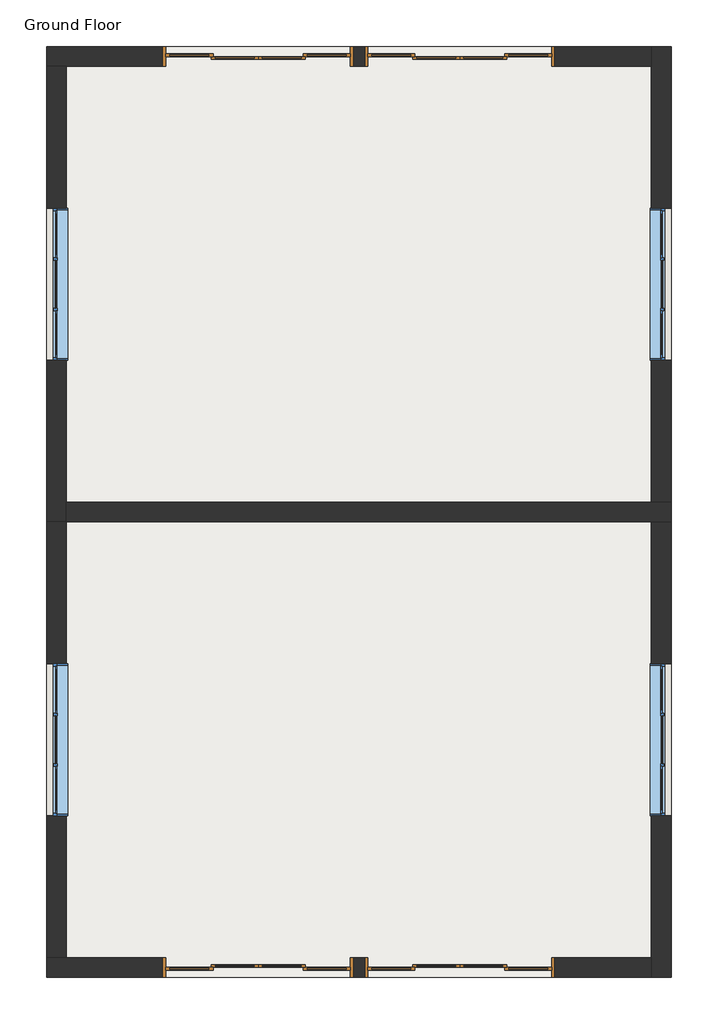
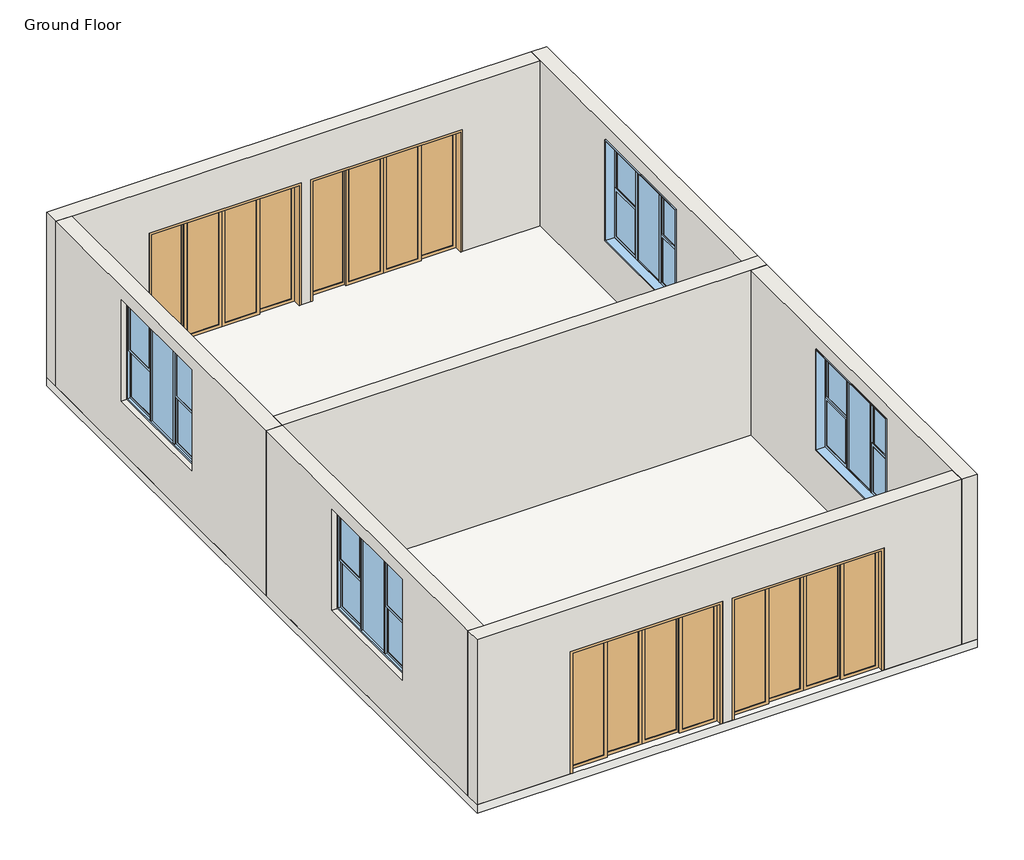
# One storey: 7 walls, 4 doors, 4 windows, 1 slab.
"""IFC4 building model written with IfcOpenShell, lengths in millimetres."""

import ifcopenshell
import ifcopenshell.guid

model = None  # the IFC model being written
_history = None  # IfcOwnerHistory: only IFC2X3 demands one
_inside = {}  # id of a spatial element -> (the spatial element, [elements in it])
_under = {}  # id of a project, library or spatial element -> (it, [spatial elements below it])
_declared = {}  # id of a project -> (the project, [libraries it declares])
_typed = {}  # id of a type object -> (the type object, [elements of that type])
_made_of = {}  # id of a material, layer set ... -> (it, [elements and type objects made of it])


def new_model(schema):
    """Start an empty IFC model of exactly this schema.

    Asked for "IFC4X3", IfcOpenShell would pick the latest addendum, in which some entities
    have other attributes; the version numbers below select the first issue.
    IFC2X3 requires an IfcOwnerHistory on every rooted entity: one is made here for all.
    """
    global model, _history
    if schema == "IFC4X3":
        model = ifcopenshell.file(schema_version=(4, 3, 0, 0))
    else:
        model = ifcopenshell.file(schema=schema)
    _inside.clear()
    _under.clear()
    _declared.clear()
    _typed.clear()
    _made_of.clear()
    _history = None
    if model.schema == "IFC2X3":
        org = make("IfcOrganization", Name="unknown")
        user = make(
            "IfcPersonAndOrganization",
            ThePerson=make("IfcPerson", FamilyName="unknown"),
            TheOrganization=org,
        )
        app = make(
            "IfcApplication",
            ApplicationDeveloper=org,
            Version="unknown",
            ApplicationFullName="unknown",
            ApplicationIdentifier="unknown",
        )
        _history = make(
            "IfcOwnerHistory",
            OwningUser=user,
            OwningApplication=app,
            ChangeAction="ADDED",
            CreationDate=0,
        )
    return model


def make(cls, **values):
    """One entity of the class cls with the attributes given. An attribute that is None is left unset."""
    return model.create_entity(
        cls, **{name: value for name, value in values.items() if value is not None}
    )


def rooted(cls, **values):
    """An entity with a GlobalId (a new one), such as an element, a storey or a relation."""
    return make(cls, GlobalId=ifcopenshell.guid.new(), OwnerHistory=_history, **values)


def si_unit(unit_type, name, prefix=None):
    """IfcSIUnit, for example si_unit("LENGTHUNIT", "METRE", prefix="MILLI")."""
    return make("IfcSIUnit", UnitType=unit_type, Prefix=prefix, Name=name)


def assignment(units):
    """IfcUnitAssignment: the units of a project."""
    return None if units is None else make("IfcUnitAssignment", Units=units)


def point(xyz):
    """IfcCartesianPoint."""
    return None if xyz is None else make("IfcCartesianPoint", Coordinates=xyz)


def direction(xyz):
    """IfcDirection."""
    return None if xyz is None else make("IfcDirection", DirectionRatios=xyz)


def frame(location, z_axis=None, x_axis=None):
    """IfcAxis2Placement3D, a coordinate frame: its origin and axes. An axis left out is left unset."""
    return make(
        "IfcAxis2Placement3D",
        Location=point(location),
        Axis=direction(z_axis),
        RefDirection=direction(x_axis),
    )


def origin():
    """The frame at (0, 0, 0) with its axes left unset."""
    return frame((0.0, 0.0, 0.0))


def place(relative_to, where):
    """IfcLocalPlacement: puts the frame where relative to a parent placement (None: the world)."""
    return make(
        "IfcLocalPlacement", PlacementRelTo=relative_to, RelativePlacement=where
    )


def context(
    kind, dimensions, precision=None, world=None, true_north=None, identifier=None
):
    """IfcGeometricRepresentationContext, for example the 3D "Model" context."""
    return make(
        "IfcGeometricRepresentationContext",
        ContextIdentifier=identifier,
        ContextType=kind,
        CoordinateSpaceDimension=dimensions,
        Precision=precision,
        WorldCoordinateSystem=world,
        TrueNorth=true_north,
    )


def project(units=None, contexts=None):
    """IfcProject with its units and contexts."""
    return rooted(
        "IfcProject",
        Name="project",
        RepresentationContexts=contexts,
        UnitsInContext=assignment(units),
    )


def spatial(cls, under=None, at=None, **own):
    """A site, building, storey or space (cls), placed at a placement, below another one or the project."""
    s = rooted(cls, ObjectPlacement=at, **own)
    if under is not None:
        _under.setdefault(under.id(), (under, []))[1].append(s)
    return s


def polyline(points):
    """IfcPolyline through the points."""
    return make("IfcPolyline", Points=[point(p) for p in points])


def outline(outer, holes=None, kind="AREA"):
    """IfcArbitraryClosedProfileDef: a profile drawn as a closed curve; with holes, ...WithVoids."""
    if holes is None:
        return make("IfcArbitraryClosedProfileDef", ProfileType=kind, OuterCurve=outer)
    return make(
        "IfcArbitraryProfileDefWithVoids",
        ProfileType=kind,
        OuterCurve=outer,
        InnerCurves=holes,
    )


def extrude(swept, where, along, depth):
    """IfcExtrudedAreaSolid: the profile swept, set in the frame where, extruded along a direction by depth."""
    return make(
        "IfcExtrudedAreaSolid",
        SweptArea=swept,
        Position=where,
        ExtrudedDirection=direction(along),
        Depth=depth,
    )


def faces_of(points, faces, orient=None, outer=None):
    """IfcFace entities. A face is a list of loops; a loop is a list of indices into points, from 0.

    orient and outer hold one flag for each loop. By default every Orientation is true, the
    first loop of a face is its IfcFaceOuterBound and the others are IfcFaceBound.
    """
    made = []
    for i, loops in enumerate(faces):
        bounds = []
        for j, loop in enumerate(loops):
            is_outer = j == 0 if outer is None else outer[i][j]
            bounds.append(
                make(
                    "IfcFaceOuterBound" if is_outer else "IfcFaceBound",
                    Bound=make("IfcPolyLoop", Polygon=[points[k] for k in loop]),
                    Orientation=True if orient is None else orient[i][j],
                )
            )
        made.append(make("IfcFace", Bounds=bounds))
    return made


def faceted_brep(points, faces, orient=None, outer=None, voids=None):
    """IfcFacetedBrep: a solid bounded by flat faces; with voids (closed shells), ...WithVoids."""
    shared = [point(p) for p in points]
    hull = make("IfcClosedShell", CfsFaces=faces_of(shared, faces, orient, outer))
    if voids is None:
        return make("IfcFacetedBrep", Outer=hull)
    return make(
        "IfcFacetedBrepWithVoids",
        Outer=hull,
        Voids=[
            make(cls, CfsFaces=faces_of(shared, fs, o, b)) for cls, fs, o, b in voids
        ],
    )


def shape(context_of_items, identifier, shape_type, items):
    """IfcShapeRepresentation: the items that make up one representation, for example the "Body"."""
    return make(
        "IfcShapeRepresentation",
        ContextOfItems=context_of_items,
        RepresentationIdentifier=identifier,
        RepresentationType=shape_type,
        Items=items,
    )


def source(mapping_origin, context_of_items, identifier, shape_type, items):
    """IfcRepresentationMap: a shape defined once, which mapped items show again and again."""
    return make(
        "IfcRepresentationMap",
        MappingOrigin=mapping_origin,
        MappedRepresentation=shape(context_of_items, identifier, shape_type, items),
    )


def transform(
    local_origin,
    x_axis=None,
    y_axis=None,
    z_axis=None,
    scale=None,
    scale2=None,
    scale3=None,
    uniform=True,
):
    """IfcCartesianTransformationOperator3D, or its non-uniform kind. x_axis, y_axis, z_axis: its Axis1, 2, 3."""
    if uniform:
        return make(
            "IfcCartesianTransformationOperator3D",
            Axis1=direction(x_axis),
            Axis2=direction(y_axis),
            LocalOrigin=point(local_origin),
            Scale=scale,
            Axis3=direction(z_axis),
        )
    return make(
        "IfcCartesianTransformationOperator3DnonUniform",
        Axis1=direction(x_axis),
        Axis2=direction(y_axis),
        LocalOrigin=point(local_origin),
        Scale=scale,
        Axis3=direction(z_axis),
        Scale2=scale2,
        Scale3=scale3,
    )


def mapped(mapping_source, mapping_target):
    """IfcMappedItem: shows the shape of a source again, moved by a transform."""
    return make(
        "IfcMappedItem", MappingSource=mapping_source, MappingTarget=mapping_target
    )


def made_of(thing, what):
    """Note that an element or type object is made of a material, layer set ...; save() writes the relation."""
    if what is not None:
        _made_of.setdefault(what.id(), (what, []))[1].append(thing)
    return thing


def element(
    cls,
    number,
    at=None,
    inside=None,
    cuts=None,
    type_object=None,
    material=None,
    context=None,
    identifier="Body",
    shape_type=None,
    held_by="IfcProductDefinitionShape",
    body=None,
    shapes=None,
    **own,
):
    """One element of the class cls, such as IfcWall. Its Tag is "e" and its number.

    at: its placement. inside: the storey or other place that contains it. cuts: it is an
    opening in that element (IfcRelVoidsElement). A single representation is given by context,
    identifier, shape_type and body (its items); several are given by shapes. held_by: the class
    of the entity that holds the representations. save() writes the other relations.
    """
    e = rooted(cls, Tag="e%d" % number, ObjectPlacement=at, **own)
    if body is not None:
        shapes = [shape(context, identifier, shape_type, body)]
    if shapes is not None:
        e.Representation = make(held_by, Representations=shapes)
    if inside is not None:
        _inside.setdefault(inside.id(), (inside, []))[1].append(e)
    if cuts is not None:
        rooted(
            "IfcRelVoidsElement", RelatingBuildingElement=cuts, RelatedOpeningElement=e
        )
    if type_object is not None:
        _typed.setdefault(type_object.id(), (type_object, []))[1].append(e)
    return made_of(e, material)


def aggregate(whole, parts):
    """IfcRelAggregates: a whole, such as a stair, and the parts it consists of."""
    return rooted("IfcRelAggregates", RelatingObject=whole, RelatedObjects=parts)


def save(model, path):
    """Write the relations noted so far, then the file.

    IfcRelAggregates (storeys below a building ...), IfcRelContainedInSpatialStructure (elements
    in a storey), IfcRelDefinesByType, IfcRelAssociatesMaterial and IfcRelDeclares: one each for
    every whole, place, type object, material and project.
    """
    for whole, parts in _under.values():
        aggregate(whole, parts)
    for where, things in _inside.values():
        rooted(
            "IfcRelContainedInSpatialStructure",
            RelatedElements=things,
            RelatingStructure=where,
        )
    for kind, things in _typed.values():
        rooted("IfcRelDefinesByType", RelatedObjects=things, RelatingType=kind)
    for what, things in _made_of.values():
        rooted("IfcRelAssociatesMaterial", RelatedObjects=things, RelatingMaterial=what)
    for by, libraries in _declared.values():
        rooted("IfcRelDeclares", RelatingContext=by, RelatedDefinitions=libraries)
    model.write(path)


def sliding_door_4_panel_aus_type_1_4f9d3724(model_context):
    return source(origin(), model_context, "Body", "SweptSolid", [
        extrude(outline(polyline([(1280.7580012, -13.3333333), (1280.7580012, -26.6666667), (752.0080012, -26.6666667), (752.0080012, -13.3333333), (1280.7580012, -13.3333333)])), frame((0.0, 0.0, 55.0), z_axis=(0.0, 0.0, 1.0), x_axis=(1.0, 0.0, 0.0)), (0.0, 0.0, 1.0), 2033.0),
        extrude(outline(polyline([(0.0, 1335.7580012), (2143.0, 1335.7580012), (2143.0, 697.0080012), (0.0, 697.0080012), (0.0, 1335.7580012)]), holes=[polyline([(55.0, 1280.7580012), (55.0, 752.0080012), (2088.0, 752.0080012), (2088.0, 1280.7580012), (55.0, 1280.7580012)])]), frame((0.0, -40.0, 0.0), z_axis=(0.0, 1.0, 0.0), x_axis=(0.0, 0.0, 1.0)), (0.0, 0.0, 1.0), 40.0),
        extrude(outline(polyline([(669.5080012, 26.6666667), (669.5080012, 13.3333333), (140.7580012, 13.3333333), (140.7580012, 26.6666667), (669.5080012, 26.6666667)])), frame((0.0, 0.0, 55.0), z_axis=(0.0, 0.0, 1.0), x_axis=(1.0, 0.0, 0.0)), (0.0, 0.0, 1.0), 2033.0),
        extrude(outline(polyline([(0.0, 724.5080012), (2143.0, 724.5080012), (2143.0, 85.7580012), (0.0, 85.7580012), (0.0, 724.5080012)]), holes=[polyline([(55.0, 669.5080012), (55.0, 140.7580012), (2088.0, 140.7580012), (2088.0, 669.5080012), (55.0, 669.5080012)])]), frame((0.0, 0.0, 0.0), z_axis=(0.0, 1.0, 0.0), x_axis=(0.0, 0.0, 1.0)), (0.0, 0.0, 1.0), 40.0),
        extrude(outline(polyline([(30.7580012, 26.6666667), (30.7580012, 13.3333333), (-497.9919988, 13.3333333), (-497.9919988, 26.6666667), (30.7580012, 26.6666667)])), frame((0.0, 0.0, 55.0), z_axis=(0.0, 0.0, 1.0), x_axis=(1.0, 0.0, 0.0)), (0.0, 0.0, 1.0), 2033.0),
        extrude(outline(polyline([(0.0, 85.7580012), (2143.0, 85.7580012), (2143.0, -552.9919988), (0.0, -552.9919988), (0.0, 85.7580012)]), holes=[polyline([(55.0, 30.7580012), (55.0, -497.9919988), (2088.0, -497.9919988), (2088.0, 30.7580012), (55.0, 30.7580012)])]), frame((0.0, 0.0, 0.0), z_axis=(0.0, 1.0, 0.0), x_axis=(0.0, 0.0, 1.0)), (0.0, 0.0, 1.0), 40.0),
        extrude(outline(polyline([(-580.4919988, -13.3333333), (-580.4919988, -26.6666667), (-1109.2419988, -26.6666667), (-1109.2419988, -13.3333333), (-580.4919988, -13.3333333)])), frame((0.0, 0.0, 55.0), z_axis=(0.0, 0.0, 1.0), x_axis=(1.0, 0.0, 0.0)), (0.0, 0.0, 1.0), 2033.0),
        extrude(outline(polyline([(0.0, -525.4919988), (2143.0, -525.4919988), (2143.0, -1164.2419988), (0.0, -1164.2419988), (0.0, -525.4919988)]), holes=[polyline([(55.0, -580.4919988), (55.0, -1109.2419988), (2088.0, -1109.2419988), (2088.0, -580.4919988), (55.0, -580.4919988)])]), frame((0.0, -40.0, 0.0), z_axis=(0.0, 1.0, 0.0), x_axis=(0.0, 0.0, 1.0)), (0.0, 0.0, 1.0), 40.0),
        extrude(outline(polyline([(0.0, -1204.2419988), (0.0, -1164.2419988), (2143.0, -1164.2419988), (2143.0, 1335.7580012), (0.0, 1335.7580012), (0.0, 1375.7580012), (2183.0, 1375.7580012), (2183.0, -1204.2419988), (0.0, -1204.2419988)])), frame((0.0, -135.0, 0.0), z_axis=(0.0, 1.0, 0.0), x_axis=(0.0, 0.0, 1.0)), (0.0, 0.0, 1.0), 270.0),
    ])


def sliding_door_4_panel_aus_type_1_471672a5(model_context):
    return source(origin(), model_context, "Body", "SweptSolid", [
        extrude(outline(polyline([(1280.7580012, 13.3333333), (752.0080012, 13.3333333), (752.0080012, 26.6666667), (1280.7580012, 26.6666667), (1280.7580012, 13.3333333)])), frame((0.0, 0.0, 55.0), z_axis=(0.0, 0.0, 1.0), x_axis=(1.0, 0.0, 0.0)), (0.0, 0.0, 1.0), 2033.0),
        extrude(outline(polyline([(0.0, 1335.7580012), (2143.0, 1335.7580012), (2143.0, 697.0080012), (0.0, 697.0080012), (0.0, 1335.7580012)]), holes=[polyline([(55.0, 1280.7580012), (55.0, 752.0080012), (2088.0, 752.0080012), (2088.0, 1280.7580012), (55.0, 1280.7580012)])]), frame((0.0, 0.0, 0.0), z_axis=(0.0, 1.0, 0.0), x_axis=(0.0, 0.0, 1.0)), (0.0, 0.0, 1.0), 40.0),
        extrude(outline(polyline([(669.5080012, -26.6666667), (140.7580012, -26.6666667), (140.7580012, -13.3333333), (669.5080012, -13.3333333), (669.5080012, -26.6666667)])), frame((0.0, 0.0, 55.0), z_axis=(0.0, 0.0, 1.0), x_axis=(1.0, 0.0, 0.0)), (0.0, 0.0, 1.0), 2033.0),
        extrude(outline(polyline([(0.0, 724.5080012), (2143.0, 724.5080012), (2143.0, 85.7580012), (0.0, 85.7580012), (0.0, 724.5080012)]), holes=[polyline([(55.0, 669.5080012), (55.0, 140.7580012), (2088.0, 140.7580012), (2088.0, 669.5080012), (55.0, 669.5080012)])]), frame((0.0, -40.0, 0.0), z_axis=(0.0, 1.0, 0.0), x_axis=(0.0, 0.0, 1.0)), (0.0, 0.0, 1.0), 40.0),
        extrude(outline(polyline([(30.7580012, -26.6666667), (-497.9919988, -26.6666667), (-497.9919988, -13.3333333), (30.7580012, -13.3333333), (30.7580012, -26.6666667)])), frame((0.0, 0.0, 55.0), z_axis=(0.0, 0.0, 1.0), x_axis=(1.0, 0.0, 0.0)), (0.0, 0.0, 1.0), 2033.0),
        extrude(outline(polyline([(0.0, 85.7580012), (2143.0, 85.7580012), (2143.0, -552.9919988), (0.0, -552.9919988), (0.0, 85.7580012)]), holes=[polyline([(55.0, 30.7580012), (55.0, -497.9919988), (2088.0, -497.9919988), (2088.0, 30.7580012), (55.0, 30.7580012)])]), frame((0.0, -40.0, 0.0), z_axis=(0.0, 1.0, 0.0), x_axis=(0.0, 0.0, 1.0)), (0.0, 0.0, 1.0), 40.0),
        extrude(outline(polyline([(-580.4919988, 13.3333333), (-1109.2419988, 13.3333333), (-1109.2419988, 26.6666667), (-580.4919988, 26.6666667), (-580.4919988, 13.3333333)])), frame((0.0, 0.0, 55.0), z_axis=(0.0, 0.0, 1.0), x_axis=(1.0, 0.0, 0.0)), (0.0, 0.0, 1.0), 2033.0),
        extrude(outline(polyline([(0.0, -525.4919988), (2143.0, -525.4919988), (2143.0, -1164.2419988), (0.0, -1164.2419988), (0.0, -525.4919988)]), holes=[polyline([(55.0, -580.4919988), (55.0, -1109.2419988), (2088.0, -1109.2419988), (2088.0, -580.4919988), (55.0, -580.4919988)])]), frame((0.0, 0.0, 0.0), z_axis=(0.0, 1.0, 0.0), x_axis=(0.0, 0.0, 1.0)), (0.0, 0.0, 1.0), 40.0),
        extrude(outline(polyline([(0.0, -1164.2419988), (2143.0, -1164.2419988), (2143.0, 1335.7580012), (0.0, 1335.7580012), (0.0, 1375.7580012), (2183.0, 1375.7580012), (2183.0, -1204.2419988), (0.0, -1204.2419988), (0.0, -1164.2419988)])), frame((0.0, -135.0, 0.0), z_axis=(0.0, 1.0, 0.0), x_axis=(0.0, 0.0, 1.0)), (0.0, 0.0, 1.0), 270.0),
    ])


def double_hung_3l_aus_2118_31b5c474(model_context):
    return source(origin(), model_context, "Body", "SweptSolid", [
        extrude(outline(polyline([(-624.326241, 25.5), (-80.6595744, 25.5), (-80.6595744, 19.5), (-624.326241, 19.5), (-624.326241, 25.5)])), frame((0.0, 0.0, 1827.5), z_axis=(0.0, 0.0, 1.0), x_axis=(1.0, 0.0, 0.0)), (0.0, 0.0, 1.0), 801.5),
        extrude(outline(polyline([(-624.326241, 5.4437379), (-80.6595744, 5.4437379), (-80.6595744, -0.5562621), (-624.326241, -0.5562621), (-624.326241, 5.4437379)])), frame((0.0, 0.0, 981.0), z_axis=(0.0, 0.0, 1.0), x_axis=(1.0, 0.0, 0.0)), (0.0, 0.0, 1.0), 801.5),
        extrude(outline(polyline([(652.0070923, 9.471869), (0.3404256, 9.471869), (0.3404256, 15.471869), (652.0070923, 15.471869), (652.0070923, 9.471869)])), frame((0.0, 0.0, 936.0), z_axis=(0.0, 0.0, 1.0), x_axis=(1.0, 0.0, 0.0)), (0.0, 0.0, 1.0), 1738.0),
        extrude(outline(polyline([(1782.5, -669.326241), (1782.5, -35.6595744), (2674.0, -35.6595744), (2674.0, -669.326241), (1782.5, -669.326241)]), holes=[polyline([(2629.0, -624.326241), (2629.0, -80.6595744), (1827.5, -80.6595744), (1827.5, -624.326241), (2629.0, -624.326241)])]), frame((0.0, 15.0, 0.0), z_axis=(0.0, 1.0, 0.0), x_axis=(0.0, 0.0, 1.0)), (0.0, 0.0, 1.0), 15.0),
        extrude(outline(polyline([(1827.5, -35.6595744), (1827.5, -669.326241), (936.0, -669.326241), (936.0, -35.6595744), (1827.5, -35.6595744)]), holes=[polyline([(981.0, -80.6595744), (981.0, -624.326241), (1782.5, -624.326241), (1782.5, -80.6595744), (981.0, -80.6595744)])]), frame((0.0, -5.0562621, 0.0), z_axis=(0.0, 1.0, 0.0), x_axis=(0.0, 0.0, 1.0)), (0.0, 0.0, 1.0), 15.0),
        extrude(outline(polyline([(0.3404256, -10.028131), (-35.6595744, -10.028131), (-35.6595744, 34.971869), (0.3404256, 34.971869), (0.3404256, -10.028131)])), frame((0.0, 0.0, 936.0), z_axis=(0.0, 0.0, 1.0), x_axis=(1.0, 0.0, 0.0)), (0.0, 0.0, 1.0), 1738.0),
        extrude(outline(polyline([(733.0070923, 25.5), (1276.673759, 25.5), (1276.673759, 19.5), (733.0070923, 19.5), (733.0070923, 25.5)])), frame((0.0, 0.0, 1827.5), z_axis=(0.0, 0.0, 1.0), x_axis=(1.0, 0.0, 0.0)), (0.0, 0.0, 1.0), 801.5),
        extrude(outline(polyline([(733.0070923, 5.4437379), (1276.673759, 5.4437379), (1276.673759, -0.5562621), (733.0070923, -0.5562621), (733.0070923, 5.4437379)])), frame((0.0, 0.0, 981.0), z_axis=(0.0, 0.0, 1.0), x_axis=(1.0, 0.0, 0.0)), (0.0, 0.0, 1.0), 801.5),
        extrude(outline(polyline([(1827.5, 1321.673759), (1827.5, 688.0070923), (936.0, 688.0070923), (936.0, 1321.673759), (1827.5, 1321.673759)]), holes=[polyline([(981.0, 1276.673759), (981.0, 733.0070923), (1782.5, 733.0070923), (1782.5, 1276.673759), (981.0, 1276.673759)])]), frame((0.0, -5.0562621, 0.0), z_axis=(0.0, 1.0, 0.0), x_axis=(0.0, 0.0, 1.0)), (0.0, 0.0, 1.0), 15.0),
        extrude(outline(polyline([(1782.5, 688.0070923), (1782.5, 1321.673759), (2674.0, 1321.673759), (2674.0, 688.0070923), (1782.5, 688.0070923)]), holes=[polyline([(2629.0, 733.0070923), (2629.0, 1276.673759), (1827.5, 1276.673759), (1827.5, 733.0070923), (2629.0, 733.0070923)])]), frame((0.0, 15.0, 0.0), z_axis=(0.0, 1.0, 0.0), x_axis=(0.0, 0.0, 1.0)), (0.0, 0.0, 1.0), 15.0),
        extrude(outline(polyline([(688.0070923, -10.028131), (652.0070923, -10.028131), (652.0070923, 34.971869), (688.0070923, 34.971869), (688.0070923, -10.028131)])), frame((0.0, 0.0, 936.0), z_axis=(0.0, 0.0, 1.0), x_axis=(1.0, 0.0, 0.0)), (0.0, 0.0, 1.0), 1738.0),
        extrude(outline(polyline([(900.0, -705.326241), (900.0, 1357.673759), (2710.0, 1357.673759), (2710.0, -705.326241), (900.0, -705.326241)]), holes=[polyline([(2674.0, -669.326241), (2674.0, 1321.673759), (936.0, 1321.673759), (936.0, -669.326241), (2674.0, -669.326241)])]), frame((0.0, 0.0, 0.0), z_axis=(0.0, 1.0, 0.0), x_axis=(0.0, 0.0, 1.0)), (0.0, 0.0, 1.0), 45.0),
        extrude(outline(polyline([(900.0, -705.326241), (900.0, 1357.673759), (2710.0, 1357.673759), (2710.0, -705.326241), (900.0, -705.326241)]), holes=[polyline([(2690.0, -685.326241), (2690.0, 1337.673759), (920.0, 1337.673759), (920.0, -685.326241), (2690.0, -685.326241)])]), frame((0.0, -150.0, 0.0), z_axis=(0.0, 1.0, 0.0), x_axis=(0.0, 0.0, 1.0)), (0.0, 0.0, 1.0), 150.0),
    ])


model = new_model("IFC4")

# Units and contexts
model_context = context("Model", 3, world=origin())
ifc_project = project(units=[si_unit("LENGTHUNIT", "METRE", prefix="MILLI")], contexts=[model_context])

# Site, building, storey
site = spatial("IfcSite", under=ifc_project)
building = spatial("IfcBuilding", under=site)
storey = spatial("IfcBuildingStorey", under=building, Name="Ground Floor", Elevation=0.0)

# Doors
placement = place(None, origin())
sliding_door_4_panel_aus_type_1_shape = sliding_door_4_panel_aus_type_1_4f9d3724(model_context)
element("IfcDoor", 1, ObjectType="Sliding Door - 4 Panel (AUS) : Type 1", at=placement, inside=storey, context=model_context, shape_type="MappedRepresentation", body=[
    mapped(sliding_door_4_panel_aus_type_1_shape, transform((-2716.5636754, 5539.3410006, 0.0), x_axis=(-1.0, 0.0, 0.0), y_axis=(0.0, -1.0, 0.0), z_axis=(0.0, 0.0, 1.0))),
])
element("IfcDoor", 2, ObjectType="Sliding Door - 4 Panel (AUS) : Type 1", at=placement, inside=storey, context=model_context, shape_type="MappedRepresentation", body=[
    mapped(sliding_door_4_panel_aus_type_1_shape, transform((16.7696579, 5539.3410006, 0.0), x_axis=(-1.0, 0.0, 0.0), y_axis=(0.0, -1.0, 0.0), z_axis=(0.0, 0.0, 1.0))),
])
sliding_door_4_panel_aus_type_1_2_shape = sliding_door_4_panel_aus_type_1_471672a5(model_context)
element("IfcDoor", 3, ObjectType="Sliding Door - 4 Panel (AUS) : Type 1", at=placement, inside=storey, context=model_context, shape_type="MappedRepresentation", body=[
    mapped(sliding_door_4_panel_aus_type_1_2_shape, transform((-2716.5636754, -6810.6589994, 0.0), x_axis=(-1.0, 0.0, 0.0), y_axis=(0.0, -1.0, 0.0), z_axis=(0.0, 0.0, 1.0))),
])
element("IfcDoor", 4, ObjectType="Sliding Door - 4 Panel (AUS) : Type 1", at=placement, inside=storey, context=model_context, shape_type="MappedRepresentation", body=[
    mapped(sliding_door_4_panel_aus_type_1_2_shape, transform((16.7696579, -6810.6589994, 0.0), x_axis=(-1.0, 0.0, 0.0), y_axis=(0.0, -1.0, 0.0), z_axis=(0.0, 0.0, 1.0))),
])

# Slab
element("IfcSlab", 5, ObjectType="Generic 150mm", at=placement, inside=storey, context=model_context, shape_type="SweptSolid", body=[
    extrude(outline(polyline([(2799.3449901, 5674.3410006), (2799.3449901, -6945.6589994), (-5670.6550099, -6945.6589994), (-5670.6550099, 5674.3410006), (2799.3449901, 5674.3410006)])), frame((0.0, 0.0, -150.0), z_axis=(0.0, 0.0, 1.0), x_axis=(1.0, 0.0, 0.0)), (0.0, 0.0, 1.0), 150.0),
])

# Walls
element("IfcWall", 6, ObjectType="Double brick - 270", at=placement, inside=storey, context=model_context, shape_type="Brep", body=[
    faceted_brep([(-5670.6550099, 5404.3410006, 2950.0), (-5670.6550099, 5404.3410006, 0.0), (-5400.6550099, 5404.3410006, 0.0), (-4092.3216766, 5404.3410006, 0.0), (-4092.3216766, 5404.3410006, 2183.0), (-1512.3216766, 5404.3410006, 2183.0), (-1512.3216766, 5404.3410006, 0.0), (-1358.9883433, 5404.3410006, 0.0), (-1358.9883433, 5404.3410006, 2183.0), (1221.0116567, 5404.3410006, 2183.0), (1221.0116567, 5404.3410006, 0.0), (2529.3449901, 5404.3410006, 0.0), (2529.3449901, 5404.3410006, 2950.0), (-5400.6550099, 5404.3410006, 2950.0), (-5670.6550099, 5674.3410006, 0.0), (-5670.6550099, 5674.3410006, 2950.0), (2529.3449901, 5674.3410006, 2950.0), (2529.3449901, 5674.3410006, 0.0), (1221.0116567, 5674.3410006, 0.0), (1221.0116567, 5674.3410006, 2183.0), (-1358.9883433, 5674.3410006, 2183.0), (-1358.9883433, 5674.3410006, 0.0), (-1512.3216766, 5674.3410006, 0.0), (-1512.3216766, 5674.3410006, 2183.0), (-4092.3216766, 5674.3410006, 2183.0), (-4092.3216766, 5674.3410006, 0.0)], [[[0, 1, 2, 3, 4, 5, 6, 7, 8, 9, 10, 11, 12, 13]], [[14, 15, 16, 17, 18, 19, 20, 21, 22, 23, 24, 25]], [[1, 14, 25, 3, 2]], [[17, 11, 10, 18]], [[6, 22, 21, 7]], [[1, 0, 15, 14]], [[12, 11, 17, 16]], [[5, 23, 22, 6]], [[23, 5, 4, 24]], [[24, 4, 3, 25]], [[9, 19, 18, 10]], [[19, 9, 8, 20]], [[20, 8, 7, 21]], [[0, 13, 12, 16, 15]]]),
])
element("IfcWall", 7, ObjectType="Double brick - 270", at=placement, inside=storey, context=model_context, shape_type="Brep", body=[
    faceted_brep([(-5400.6550099, -770.6589994, 0.0), (-5400.6550099, -500.6589994, 0.0), (-5400.6550099, 5404.3410006, 0.0), (-5400.6550099, 5404.3410006, 2950.0), (-5400.6550099, -500.6589994, 2950.0), (-5400.6550099, -770.6589994, 2950.0), (-5400.6550099, 3483.3410006, 2710.0), (-5400.6550099, 3483.3410006, 900.0), (-5400.6550099, 1420.3410006, 900.0), (-5400.6550099, 1420.3410006, 2710.0), (-5670.6550099, -770.6589994, 0.0), (-5670.6550099, -770.6589994, 2950.0), (-5670.6550099, 5404.3410006, 2950.0), (-5670.6550099, 5404.3410006, 0.0), (-5670.6550099, 3483.3410006, 900.0), (-5670.6550099, 3483.3410006, 2710.0), (-5670.6550099, 1420.3410006, 2710.0), (-5670.6550099, 1420.3410006, 900.0)], [[[0, 1, 2, 3, 4, 5], [6, 7, 8, 9]], [[10, 11, 12, 13], [14, 15, 16, 17]], [[2, 1, 0, 10, 13]], [[0, 5, 11, 10]], [[3, 2, 13, 12]], [[6, 15, 14, 7]], [[8, 17, 16, 9]], [[7, 14, 17, 8]], [[15, 6, 9, 16]], [[5, 4, 3, 12, 11]]]),
])
element("IfcWall", 8, ObjectType="Double brick - 270", at=placement, inside=storey, context=model_context, shape_type="Brep", body=[
    faceted_brep([(2799.3449901, -500.6589994, 0.0), (2529.3449901, -500.6589994, 0.0), (-5400.6550099, -500.6589994, 0.0), (-5400.6550099, -500.6589994, 2950.0), (2529.3449901, -500.6589994, 2950.0), (2799.3449901, -500.6589994, 2950.0), (2799.3449901, -770.6589994, 0.0), (2799.3449901, -770.6589994, 2950.0), (2529.3449901, -770.6589994, 2950.0), (-5400.6550099, -770.6589994, 2950.0), (-5400.6550099, -770.6589994, 0.0), (2529.3449901, -770.6589994, 0.0)], [[[0, 1, 2, 3, 4, 5]], [[6, 7, 8, 9, 10, 11]], [[2, 1, 0, 6, 11, 10]], [[0, 5, 7, 6]], [[3, 2, 10, 9]], [[5, 4, 3, 9, 8, 7]]]),
])
element("IfcWall", 9, ObjectType="Double brick - 270", at=placement, inside=storey, context=model_context, shape_type="Brep", body=[
    faceted_brep([(2529.3449901, 5674.3410006, 0.0), (2529.3449901, 5404.3410006, 0.0), (2529.3449901, -500.6589994, 0.0), (2529.3449901, -500.6589994, 2950.0), (2529.3449901, 5404.3410006, 2950.0), (2529.3449901, 5674.3410006, 2950.0), (2529.3449901, 1420.3410006, 2710.0), (2529.3449901, 1420.3410006, 900.0), (2529.3449901, 3483.3410006, 900.0), (2529.3449901, 3483.3410006, 2710.0), (2799.3449901, 5674.3410006, 0.0), (2799.3449901, 5674.3410006, 2950.0), (2799.3449901, -500.6589994, 2950.0), (2799.3449901, -500.6589994, 0.0), (2799.3449901, 1420.3410006, 900.0), (2799.3449901, 1420.3410006, 2710.0), (2799.3449901, 3483.3410006, 2710.0), (2799.3449901, 3483.3410006, 900.0)], [[[0, 1, 2, 3, 4, 5], [6, 7, 8, 9]], [[10, 11, 12, 13], [14, 15, 16, 17]], [[2, 1, 0, 10, 13]], [[0, 5, 11, 10]], [[3, 2, 13, 12]], [[6, 15, 14, 7]], [[8, 17, 16, 9]], [[7, 14, 17, 8]], [[15, 6, 9, 16]], [[5, 4, 3, 12, 11]]]),
])
element("IfcWall", 10, ObjectType="Double brick - 270", at=placement, inside=storey, context=model_context, shape_type="Brep", body=[
    faceted_brep([(-5670.6550099, -6945.6589994, 2950.0), (-5670.6550099, -6945.6589994, 0.0), (-4092.3216766, -6945.6589994, 0.0), (-4092.3216766, -6945.6589994, 2183.0), (-1512.3216766, -6945.6589994, 2183.0), (-1512.3216766, -6945.6589994, 0.0), (-1358.9883433, -6945.6589994, 0.0), (-1358.9883433, -6945.6589994, 2183.0), (1221.0116567, -6945.6589994, 2183.0), (1221.0116567, -6945.6589994, 0.0), (2529.3449901, -6945.6589994, 0.0), (2529.3449901, -6945.6589994, 2950.0), (-5670.6550099, -6675.6589994, 0.0), (-5670.6550099, -6675.6589994, 2950.0), (-5400.6550099, -6675.6589994, 2950.0), (2529.3449901, -6675.6589994, 2950.0), (2529.3449901, -6675.6589994, 0.0), (1221.0116567, -6675.6589994, 0.0), (1221.0116567, -6675.6589994, 2183.0), (-1358.9883433, -6675.6589994, 2183.0), (-1358.9883433, -6675.6589994, 0.0), (-1512.3216766, -6675.6589994, 0.0), (-1512.3216766, -6675.6589994, 2183.0), (-4092.3216766, -6675.6589994, 2183.0), (-4092.3216766, -6675.6589994, 0.0), (-5400.6550099, -6675.6589994, 0.0)], [[[0, 1, 2, 3, 4, 5, 6, 7, 8, 9, 10, 11]], [[12, 13, 14, 15, 16, 17, 18, 19, 20, 21, 22, 23, 24, 25]], [[1, 12, 25, 24, 2]], [[16, 10, 9, 17]], [[20, 6, 5, 21]], [[1, 0, 13, 12]], [[11, 10, 16, 15]], [[8, 18, 17, 9]], [[18, 8, 7, 19]], [[19, 7, 6, 20]], [[4, 22, 21, 5]], [[22, 4, 3, 23]], [[23, 3, 2, 24]], [[0, 11, 15, 14, 13]]]),
])
element("IfcWall", 11, ObjectType="Double brick - 270", at=placement, inside=storey, context=model_context, shape_type="SweptSolid", body=[
    extrude(outline(polyline([(-770.6589994, 0.0), (-6675.6589994, 0.0), (-6675.6589994, 2950.0), (-770.6589994, 2950.0), (-770.6589994, 0.0)]), holes=[polyline([(-2691.6589994, 900.0), (-2691.6589994, 2710.0), (-4754.6589994, 2710.0), (-4754.6589994, 900.0), (-2691.6589994, 900.0)])]), frame((-5670.6550099, 0.0, 0.0), z_axis=(1.0, 0.0, 0.0), x_axis=(0.0, 1.0, 0.0)), (0.0, 0.0, 1.0), 270.0),
])
element("IfcWall", 12, ObjectType="Double brick - 270", at=placement, inside=storey, context=model_context, shape_type="Brep", body=[
    faceted_brep([(2799.3449901, -6945.6589994, 0.0), (2799.3449901, -770.6589994, 0.0), (2799.3449901, -770.6589994, 2950.0), (2799.3449901, -6945.6589994, 2950.0), (2799.3449901, -4754.6589994, 900.0), (2799.3449901, -4754.6589994, 2710.0), (2799.3449901, -2691.6589994, 2710.0), (2799.3449901, -2691.6589994, 900.0), (2529.3449901, -6945.6589994, 0.0), (2529.3449901, -6945.6589994, 2950.0), (2529.3449901, -6675.6589994, 2950.0), (2529.3449901, -770.6589994, 2950.0), (2529.3449901, -770.6589994, 0.0), (2529.3449901, -6675.6589994, 0.0), (2529.3449901, -4754.6589994, 2710.0), (2529.3449901, -4754.6589994, 900.0), (2529.3449901, -2691.6589994, 900.0), (2529.3449901, -2691.6589994, 2710.0)], [[[0, 1, 2, 3], [4, 5, 6, 7]], [[8, 9, 10, 11, 12, 13], [14, 15, 16, 17]], [[1, 0, 8, 13, 12]], [[0, 3, 9, 8]], [[2, 1, 12, 11]], [[14, 5, 4, 15]], [[16, 7, 6, 17]], [[15, 4, 7, 16]], [[5, 14, 17, 6]], [[3, 2, 11, 10, 9]]]),
])

# Windows
double_hung_3l_aus_2118_shape = double_hung_3l_aus_2118_31b5c474(model_context)
element("IfcWindow", 13, ObjectType="Double Hung - 3L (AUS) : 2118", at=placement, inside=storey, context=model_context, shape_type="MappedRepresentation", body=[
    mapped(double_hung_3l_aus_2118_shape, transform((-5535.6550099, 2125.6672417, 0.0), x_axis=(0.0, 1.0, 0.0), y_axis=(-1.0, 0.0, 0.0), z_axis=(0.0, 0.0, 1.0))),
])
element("IfcWindow", 14, ObjectType="Double Hung - 3L (AUS) : 2118", at=placement, inside=storey, context=model_context, shape_type="MappedRepresentation", body=[
    mapped(double_hung_3l_aus_2118_shape, transform((2664.3449901, 2778.0147596, 0.0), x_axis=(0.0, -1.0, 0.0), y_axis=(1.0, 0.0, 0.0), z_axis=(0.0, 0.0, 1.0))),
])
element("IfcWindow", 15, ObjectType="Double Hung - 3L (AUS) : 2118", at=placement, inside=storey, context=model_context, shape_type="MappedRepresentation", body=[
    mapped(double_hung_3l_aus_2118_shape, transform((2664.3449901, -3396.9852404, 0.0), x_axis=(0.0, -1.0, 0.0), y_axis=(1.0, 0.0, 0.0), z_axis=(0.0, 0.0, 1.0))),
])
element("IfcWindow", 16, ObjectType="Double Hung - 3L (AUS) : 2118", at=placement, inside=storey, context=model_context, shape_type="MappedRepresentation", body=[
    mapped(double_hung_3l_aus_2118_shape, transform((-5535.6550099, -4049.3327583, 0.0), x_axis=(0.0, 1.0, 0.0), y_axis=(-1.0, 0.0, 0.0), z_axis=(0.0, 0.0, 1.0))),
])

save(model, "model.ifc")
